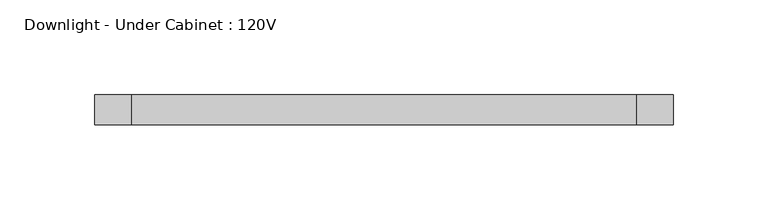
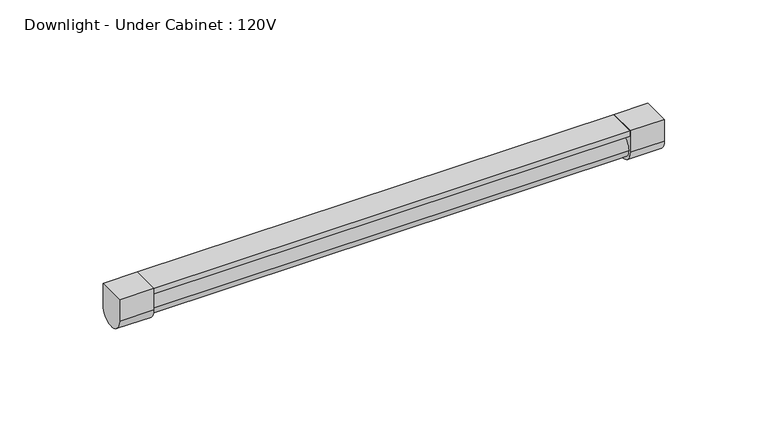
"""IFC4 building model written with IfcOpenShell, lengths in millimetres: light fixture geometry, Downlight - Under Cabinet : 120V."""

from ifc_helpers import new_model, si_unit, point, frame, frame_2d, origin, place, context, project, spatial, polyline, circle_curve, trimmed, segment, composite_curve, outline, extrude, source, transform, mapped, element, save


def downlight_under_cabinet_120v_ae631d22(model_context):
    return source(origin(), model_context, "Body", "SweptSolid", [
        extrude(outline(composite_curve([segment(trimmed(circle_curve(frame_2d((0.0, 1358.9)), 6.35), [point((-6.35, 1358.9))], [point((6.35, 1358.9))], False, "CARTESIAN"), True, "CONTINUOUS"), segment(trimmed(circle_curve(frame_2d((0.0, 1358.9)), 6.35), [point((6.35, 1358.9))], [point((-6.35, 1358.9))], False, "CARTESIAN"), True, "CONTINUOUS")], self_intersect=False)), frame((-133.35, 0.0, 0.0), z_axis=(1.0, 0.0, 0.0), x_axis=(0.0, 1.0, 0.0)), (0.0, 0.0, 1.0), 266.7),
        extrude(outline(composite_curve([segment(polyline([(-7.9375, 1371.6), (7.9375, 1371.6), (7.9375, 1358.9)]), True, "CONTINUOUS"), segment(trimmed(circle_curve(frame_2d((0.0, 1358.9)), 7.9375), [point((7.9375, 1358.9))], [point((-7.9375, 1358.9))], False, "CARTESIAN"), True, "CONTINUOUS"), segment(polyline([(-7.9375, 1358.9), (-7.9375, 1371.6)]), True, "CONTINUOUS")], self_intersect=False)), frame((133.35, 0.0, 0.0), z_axis=(1.0, 0.0, 0.0), x_axis=(0.0, 1.0, 0.0)), (0.0, 0.0, 1.0), 19.05),
        extrude(outline(composite_curve([segment(polyline([(7.9375, 1371.6), (7.9375, 1358.9)]), True, "CONTINUOUS"), segment(trimmed(circle_curve(frame_2d((0.0, 1358.9)), 7.9375), [point((7.9375, 1358.9))], [point((-7.9375, 1358.9))], False, "CARTESIAN"), True, "CONTINUOUS"), segment(polyline([(-7.9375, 1358.9), (-7.9375, 1371.6), (7.9375, 1371.6)]), True, "CONTINUOUS")], self_intersect=False)), frame((-152.4, 0.0, 0.0), z_axis=(1.0, 0.0, 0.0), x_axis=(0.0, 1.0, 0.0)), (0.0, 0.0, 1.0), 19.05),
        extrude(outline(polyline([(133.35, 7.9375), (133.35, -7.9375), (-133.35, -7.9375), (-133.35, 7.9375), (133.35, 7.9375)])), frame((0.0, 0.0, 1368.3197499), z_axis=(0.0, 0.0, 1.0), x_axis=(1.0, 0.0, 0.0)), (0.0, 0.0, 1.0), 3.2802501),
    ])


if __name__ == "__main__":
    model = new_model("IFC4")
    model_context = context("Model", 3, world=origin())
    ifc_project = project(units=[si_unit("LENGTHUNIT", "METRE", prefix="MILLI")], contexts=[model_context])
    site = spatial("IfcSite", under=ifc_project)
    building = spatial("IfcBuilding", under=site)
    placement = place(None, origin())
    downlight_under_cabinet_120v_shape = downlight_under_cabinet_120v_ae631d22(model_context)
    element("IfcLightFixture", 1, ObjectType="Downlight - Under Cabinet : 120V", at=placement, inside=building, context=model_context, shape_type="MappedRepresentation", body=[
        mapped(downlight_under_cabinet_120v_shape, transform((0.0, 0.0, 0.0), x_axis=(1.0, 0.0, 0.0), y_axis=(0.0, 1.0, 0.0), z_axis=(0.0, 0.0, 1.0))),
    ])
    save(model, "model.ifc")
